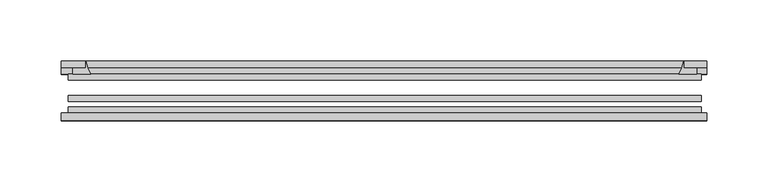
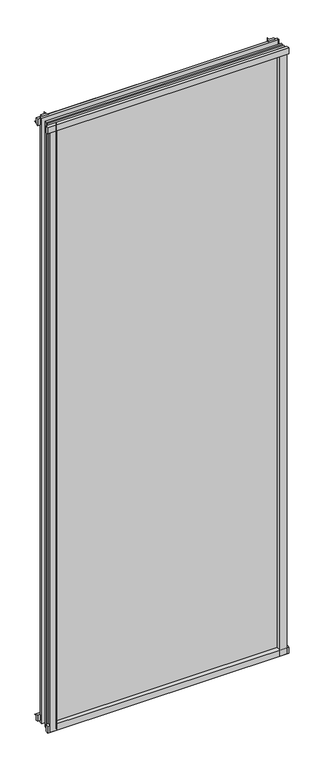
"""IFC4 building model written with IfcOpenShell, lengths in millimetres: plate geometry."""

import ifcopenshell
import ifcopenshell.guid

model = None  # the IFC model being written
_history = None  # IfcOwnerHistory: only IFC2X3 demands one
_inside = {}  # id of a spatial element -> (the spatial element, [elements in it])
_under = {}  # id of a project, library or spatial element -> (it, [spatial elements below it])
_declared = {}  # id of a project -> (the project, [libraries it declares])
_typed = {}  # id of a type object -> (the type object, [elements of that type])
_made_of = {}  # id of a material, layer set ... -> (it, [elements and type objects made of it])


def new_model(schema):
    """Start an empty IFC model of exactly this schema.

    Asked for "IFC4X3", IfcOpenShell would pick the latest addendum, in which some entities
    have other attributes; the version numbers below select the first issue.
    IFC2X3 requires an IfcOwnerHistory on every rooted entity: one is made here for all.
    """
    global model, _history
    if schema == "IFC4X3":
        model = ifcopenshell.file(schema_version=(4, 3, 0, 0))
    else:
        model = ifcopenshell.file(schema=schema)
    _inside.clear()
    _under.clear()
    _declared.clear()
    _typed.clear()
    _made_of.clear()
    _history = None
    if model.schema == "IFC2X3":
        org = make("IfcOrganization", Name="unknown")
        user = make(
            "IfcPersonAndOrganization",
            ThePerson=make("IfcPerson", FamilyName="unknown"),
            TheOrganization=org,
        )
        app = make(
            "IfcApplication",
            ApplicationDeveloper=org,
            Version="unknown",
            ApplicationFullName="unknown",
            ApplicationIdentifier="unknown",
        )
        _history = make(
            "IfcOwnerHistory",
            OwningUser=user,
            OwningApplication=app,
            ChangeAction="ADDED",
            CreationDate=0,
        )
    return model


def make(cls, **values):
    """One entity of the class cls with the attributes given. An attribute that is None is left unset."""
    return model.create_entity(
        cls, **{name: value for name, value in values.items() if value is not None}
    )


def rooted(cls, **values):
    """An entity with a GlobalId (a new one), such as an element, a storey or a relation."""
    return make(cls, GlobalId=ifcopenshell.guid.new(), OwnerHistory=_history, **values)


def si_unit(unit_type, name, prefix=None):
    """IfcSIUnit, for example si_unit("LENGTHUNIT", "METRE", prefix="MILLI")."""
    return make("IfcSIUnit", UnitType=unit_type, Prefix=prefix, Name=name)


def assignment(units):
    """IfcUnitAssignment: the units of a project."""
    return None if units is None else make("IfcUnitAssignment", Units=units)


def point(xyz):
    """IfcCartesianPoint."""
    return None if xyz is None else make("IfcCartesianPoint", Coordinates=xyz)


def direction(xyz):
    """IfcDirection."""
    return None if xyz is None else make("IfcDirection", DirectionRatios=xyz)


def frame(location, z_axis=None, x_axis=None):
    """IfcAxis2Placement3D, a coordinate frame: its origin and axes. An axis left out is left unset."""
    return make(
        "IfcAxis2Placement3D",
        Location=point(location),
        Axis=direction(z_axis),
        RefDirection=direction(x_axis),
    )


def frame_2d(location, x_axis=None):
    """IfcAxis2Placement2D, a coordinate frame in the plane: its origin and x axis."""
    return make(
        "IfcAxis2Placement2D", Location=point(location), RefDirection=direction(x_axis)
    )


def origin():
    """The frame at (0, 0, 0) with its axes left unset."""
    return frame((0.0, 0.0, 0.0))


def place(relative_to, where):
    """IfcLocalPlacement: puts the frame where relative to a parent placement (None: the world)."""
    return make(
        "IfcLocalPlacement", PlacementRelTo=relative_to, RelativePlacement=where
    )


def context(
    kind, dimensions, precision=None, world=None, true_north=None, identifier=None
):
    """IfcGeometricRepresentationContext, for example the 3D "Model" context."""
    return make(
        "IfcGeometricRepresentationContext",
        ContextIdentifier=identifier,
        ContextType=kind,
        CoordinateSpaceDimension=dimensions,
        Precision=precision,
        WorldCoordinateSystem=world,
        TrueNorth=true_north,
    )


def project(units=None, contexts=None):
    """IfcProject with its units and contexts."""
    return rooted(
        "IfcProject",
        Name="project",
        RepresentationContexts=contexts,
        UnitsInContext=assignment(units),
    )


def spatial(cls, under=None, at=None, **own):
    """A site, building, storey or space (cls), placed at a placement, below another one or the project."""
    s = rooted(cls, ObjectPlacement=at, **own)
    if under is not None:
        _under.setdefault(under.id(), (under, []))[1].append(s)
    return s


def polyline(points):
    """IfcPolyline through the points."""
    return make("IfcPolyline", Points=[point(p) for p in points])


def circle_curve(where, radius):
    """IfcCircle in the frame where."""
    return make("IfcCircle", Position=where, Radius=radius)


def trimmed(basis, trim1, trim2, sense, master):
    """IfcTrimmedCurve: the piece of a basis curve between two trims."""
    return make(
        "IfcTrimmedCurve",
        BasisCurve=basis,
        Trim1=trim1,
        Trim2=trim2,
        SenseAgreement=sense,
        MasterRepresentation=master,
    )


def segment(curve, same_sense, transition):
    """IfcCompositeCurveSegment."""
    return make(
        "IfcCompositeCurveSegment",
        Transition=transition,
        SameSense=same_sense,
        ParentCurve=curve,
    )


def composite_curve(segments, self_intersect=None):
    """IfcCompositeCurve: segments joined end to end."""
    return make("IfcCompositeCurve", Segments=segments, SelfIntersect=self_intersect)


def outline(outer, holes=None, kind="AREA"):
    """IfcArbitraryClosedProfileDef: a profile drawn as a closed curve; with holes, ...WithVoids."""
    if holes is None:
        return make("IfcArbitraryClosedProfileDef", ProfileType=kind, OuterCurve=outer)
    return make(
        "IfcArbitraryProfileDefWithVoids",
        ProfileType=kind,
        OuterCurve=outer,
        InnerCurves=holes,
    )


def extrude(swept, where, along, depth):
    """IfcExtrudedAreaSolid: the profile swept, set in the frame where, extruded along a direction by depth."""
    return make(
        "IfcExtrudedAreaSolid",
        SweptArea=swept,
        Position=where,
        ExtrudedDirection=direction(along),
        Depth=depth,
    )


def shape(context_of_items, identifier, shape_type, items):
    """IfcShapeRepresentation: the items that make up one representation, for example the "Body"."""
    return make(
        "IfcShapeRepresentation",
        ContextOfItems=context_of_items,
        RepresentationIdentifier=identifier,
        RepresentationType=shape_type,
        Items=items,
    )


def source(mapping_origin, context_of_items, identifier, shape_type, items):
    """IfcRepresentationMap: a shape defined once, which mapped items show again and again."""
    return make(
        "IfcRepresentationMap",
        MappingOrigin=mapping_origin,
        MappedRepresentation=shape(context_of_items, identifier, shape_type, items),
    )


def transform(
    local_origin,
    x_axis=None,
    y_axis=None,
    z_axis=None,
    scale=None,
    scale2=None,
    scale3=None,
    uniform=True,
):
    """IfcCartesianTransformationOperator3D, or its non-uniform kind. x_axis, y_axis, z_axis: its Axis1, 2, 3."""
    if uniform:
        return make(
            "IfcCartesianTransformationOperator3D",
            Axis1=direction(x_axis),
            Axis2=direction(y_axis),
            LocalOrigin=point(local_origin),
            Scale=scale,
            Axis3=direction(z_axis),
        )
    return make(
        "IfcCartesianTransformationOperator3DnonUniform",
        Axis1=direction(x_axis),
        Axis2=direction(y_axis),
        LocalOrigin=point(local_origin),
        Scale=scale,
        Axis3=direction(z_axis),
        Scale2=scale2,
        Scale3=scale3,
    )


def mapped(mapping_source, mapping_target):
    """IfcMappedItem: shows the shape of a source again, moved by a transform."""
    return make(
        "IfcMappedItem", MappingSource=mapping_source, MappingTarget=mapping_target
    )


def made_of(thing, what):
    """Note that an element or type object is made of a material, layer set ...; save() writes the relation."""
    if what is not None:
        _made_of.setdefault(what.id(), (what, []))[1].append(thing)
    return thing


def element(
    cls,
    number,
    at=None,
    inside=None,
    cuts=None,
    type_object=None,
    material=None,
    context=None,
    identifier="Body",
    shape_type=None,
    held_by="IfcProductDefinitionShape",
    body=None,
    shapes=None,
    **own,
):
    """One element of the class cls, such as IfcWall. Its Tag is "e" and its number.

    at: its placement. inside: the storey or other place that contains it. cuts: it is an
    opening in that element (IfcRelVoidsElement). A single representation is given by context,
    identifier, shape_type and body (its items); several are given by shapes. held_by: the class
    of the entity that holds the representations. save() writes the other relations.
    """
    e = rooted(cls, Tag="e%d" % number, ObjectPlacement=at, **own)
    if body is not None:
        shapes = [shape(context, identifier, shape_type, body)]
    if shapes is not None:
        e.Representation = make(held_by, Representations=shapes)
    if inside is not None:
        _inside.setdefault(inside.id(), (inside, []))[1].append(e)
    if cuts is not None:
        rooted(
            "IfcRelVoidsElement", RelatingBuildingElement=cuts, RelatedOpeningElement=e
        )
    if type_object is not None:
        _typed.setdefault(type_object.id(), (type_object, []))[1].append(e)
    return made_of(e, material)


def aggregate(whole, parts):
    """IfcRelAggregates: a whole, such as a stair, and the parts it consists of."""
    return rooted("IfcRelAggregates", RelatingObject=whole, RelatedObjects=parts)


def save(model, path):
    """Write the relations noted so far, then the file.

    IfcRelAggregates (storeys below a building ...), IfcRelContainedInSpatialStructure (elements
    in a storey), IfcRelDefinesByType, IfcRelAssociatesMaterial and IfcRelDeclares: one each for
    every whole, place, type object, material and project.
    """
    for whole, parts in _under.values():
        aggregate(whole, parts)
    for where, things in _inside.values():
        rooted(
            "IfcRelContainedInSpatialStructure",
            RelatedElements=things,
            RelatingStructure=where,
        )
    for kind, things in _typed.values():
        rooted("IfcRelDefinesByType", RelatedObjects=things, RelatingType=kind)
    for what, things in _made_of.values():
        rooted("IfcRelAssociatesMaterial", RelatedObjects=things, RelatingMaterial=what)
    for by, libraries in _declared.values():
        rooted("IfcRelDeclares", RelatingContext=by, RelatedDefinitions=libraries)
    model.write(path)


def plate_52cce1c9(model_context):
    return source(origin(), model_context, "Body", "SweptSolid", [
        extrude(outline(composite_curve([segment(polyline([(-85.1328625, 1385.9063002), (-78.7828625, 1385.9063002), (-78.7828625, 1369.6561909)]), True, "CONTINUOUS"), segment(trimmed(circle_curve(frame_2d((-85.0581856, 1360.6064356)), 11.0126179), [point((-78.7828625, 1369.6561909))], [point((-85.1328625, 1371.6188002))], True, "CARTESIAN"), True, "CONTINUOUS"), segment(polyline([(-85.1328625, 1371.6188002), (-85.1328625, 1385.9063002)]), True, "CONTINUOUS")], self_intersect=False)), frame((-264.5171875, 0.0, 0.0), z_axis=(1.0, 0.0, 0.0), x_axis=(0.0, 1.0, 0.0)), (0.0, 0.0, 1.0), 527.84375),
        extrude(outline(composite_curve([segment(polyline([(-258.7625, -78.7828625), (-241.9012844, -78.7828625)]), True, "CONTINUOUS"), segment(trimmed(circle_curve(frame_2d((-231.3388809, -86.7604812)), 13.2365693), [point((-241.9012844, -78.7828625))], [point((-244.475, -85.1328625))], True, "CARTESIAN"), True, "CONTINUOUS"), segment(polyline([(-244.475, -85.1328625), (-258.7625, -85.1328625), (-258.7625, -78.7828625)]), True, "CONTINUOUS")], self_intersect=False)), frame((0.0, 0.0, -14.2875), z_axis=(0.0, 0.0, 1.0), x_axis=(1.0, 0.0, 0.0)), (0.0, 0.0, 1.0), 1400.175),
        extrude(outline(composite_curve([segment(polyline([(258.7625, -78.7828625), (258.7625, -85.1328625), (244.475, -85.1328625)]), True, "CONTINUOUS"), segment(trimmed(circle_curve(frame_2d((231.3388809, -86.7604812)), 13.2365693), [point((244.475, -85.1328625))], [point((241.9012844, -78.7828625))], True, "CARTESIAN"), True, "CONTINUOUS"), segment(polyline([(241.9012844, -78.7828625), (258.7625, -78.7828625)]), True, "CONTINUOUS")], self_intersect=False)), frame((0.0, 0.0, -14.2875), z_axis=(0.0, 0.0, 1.0), x_axis=(1.0, 0.0, 0.0)), (0.0, 0.0, 1.0), 1400.175),
        extrude(outline(composite_curve([segment(polyline([(-47.1852625, -10.4712201), (-47.1852625, 3.9588469)]), True, "CONTINUOUS"), segment(trimmed(circle_curve(frame_2d((-30.6824422, 32.267054)), 32.7673262), [point((-47.1852625, 3.9588469))], [point((-36.3503395, -0.00635))], True, "CARTESIAN"), True, "CONTINUOUS"), segment(polyline([(-36.3503395, -0.00635), (-42.2830625, -0.00635), (-42.2830625, -10.4712201), (-47.1852625, -10.4712201)]), True, "CONTINUOUS")], self_intersect=False)), frame((-264.5171875, 0.0, 0.0), z_axis=(1.0, 0.0, 0.0), x_axis=(0.0, 1.0, 0.0)), (0.0, 0.0, 1.0), 527.84375),
        extrude(outline(composite_curve([segment(polyline([(-78.7828625, -14.2875), (-85.1328625, -14.2875), (-85.1328625, -0.0127)]), True, "CONTINUOUS"), segment(trimmed(circle_curve(frame_2d((-86.7604812, 13.1234191)), 13.2365693), [point((-85.1328625, -0.0127))], [point((-78.7828625, 2.5610156))], True, "CARTESIAN"), True, "CONTINUOUS"), segment(polyline([(-78.7828625, 2.5610156), (-78.7828625, -14.2875)]), True, "CONTINUOUS")], self_intersect=False)), frame((-264.5171875, 0.0, 0.0), z_axis=(1.0, 0.0, 0.0), x_axis=(0.0, 1.0, 0.0)), (0.0, 0.0, 1.0), 527.84375),
        extrude(outline(composite_curve([segment(polyline([(-47.1852625, 1367.6284531), (-47.1852625, 1382.3002564), (-42.2830625, 1382.3002564), (-42.2830625, 1371.6), (-36.3140625, 1371.6)]), True, "CONTINUOUS"), segment(trimmed(circle_curve(frame_2d((-30.6824422, 1339.320246)), 32.7673262), [point((-36.3140625, 1371.6))], [point((-47.1852625, 1367.6284531))], True, "CARTESIAN"), True, "CONTINUOUS")], self_intersect=False)), frame((-264.5171875, 0.0, 0.0), z_axis=(1.0, 0.0, 0.0), x_axis=(0.0, 1.0, 0.0)), (0.0, 0.0, 1.0), 527.84375),
        extrude(outline(composite_curve([segment(trimmed(circle_curve(frame_2d((212.195246, -30.6824422)), 32.7673262), [point((240.5034531, -47.1852625))], [point((244.475, -36.3140625))], True, "CARTESIAN"), True, "CONTINUOUS"), segment(polyline([(244.475, -36.3140625), (244.475, -42.2830625), (255.1753653, -42.2830625), (255.1753653, -47.1852625), (240.5034531, -47.1852625)]), True, "CONTINUOUS")], self_intersect=False)), frame((0.0, 0.0, -14.2875), z_axis=(0.0, 0.0, 1.0), x_axis=(1.0, 0.0, 0.0)), (0.0, 0.0, 1.0), 1400.175),
        extrude(outline(composite_curve([segment(polyline([(-240.5034531, -47.1852625), (-255.1702092, -47.1852625), (-255.1702092, -42.2830625), (-244.475, -42.2830625), (-244.475, -36.3140625)]), True, "CONTINUOUS"), segment(trimmed(circle_curve(frame_2d((-212.195246, -30.6824422)), 32.7673262), [point((-244.475, -36.3140625))], [point((-240.5034531, -47.1852625))], True, "CARTESIAN"), True, "CONTINUOUS")], self_intersect=False)), frame((0.0, 0.0, -14.2875), z_axis=(0.0, 0.0, 1.0), x_axis=(1.0, 0.0, 0.0)), (0.0, 0.0, 1.0), 1400.175),
        extrude(outline(polyline([(258.7625, -64.6604625), (258.7625, -69.4356625), (-258.7625, -69.4356625), (-258.7625, -64.6604625), (258.7625, -64.6604625)])), frame((0.0, 0.0, -14.2875), z_axis=(0.0, 0.0, 1.0), x_axis=(1.0, 0.0, 0.0)), (0.0, 0.0, 1.0), 1400.175),
        extrude(outline(polyline([(-258.7625, -78.7828625), (-258.7625, -74.0076625), (258.7625, -74.0076625), (258.7625, -78.7828625), (-258.7625, -78.7828625)])), frame((0.0, 0.0, -14.2875), z_axis=(0.0, 0.0, 1.0), x_axis=(1.0, 0.0, 0.0)), (0.0, 0.0, 1.0), 1400.175),
        extrude(outline(polyline([(-258.7625, -47.1852625), (258.7625, -47.1852625), (258.7625, -51.9604625), (-258.7625, -51.9604625), (-258.7625, -47.1852625)])), frame((0.0, 0.0, -14.2875), z_axis=(0.0, 0.0, 1.0), x_axis=(1.0, 0.0, 0.0)), (0.0, 0.0, 1.0), 1400.175),
    ])


if __name__ == "__main__":
    model = new_model("IFC4")
    model_context = context("Model", 3, world=origin())
    ifc_project = project(units=[si_unit("LENGTHUNIT", "METRE", prefix="MILLI")], contexts=[model_context])
    site = spatial("IfcSite", under=ifc_project)
    building = spatial("IfcBuilding", under=site)
    placement = place(None, origin())
    plate_shape = plate_52cce1c9(model_context)
    element("IfcPlate", 1, at=placement, inside=building, context=model_context, shape_type="MappedRepresentation", body=[
        mapped(plate_shape, transform((0.0, 0.0, 0.0), x_axis=(1.0, 0.0, 0.0), y_axis=(0.0, 1.0, 0.0), z_axis=(0.0, 0.0, 1.0))),
    ])
    save(model, "model.ifc")
